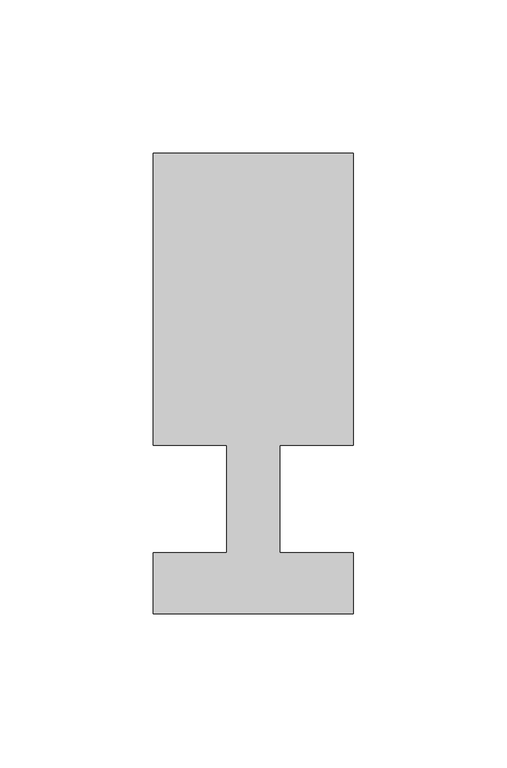
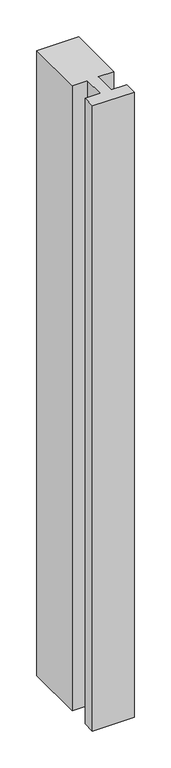
"""IFC4 building model written with IfcOpenShell, lengths in millimetres: member geometry."""

import ifcopenshell
import ifcopenshell.guid

model = None  # the IFC model being written
_history = None  # IfcOwnerHistory: only IFC2X3 demands one
_inside = {}  # id of a spatial element -> (the spatial element, [elements in it])
_under = {}  # id of a project, library or spatial element -> (it, [spatial elements below it])
_declared = {}  # id of a project -> (the project, [libraries it declares])
_typed = {}  # id of a type object -> (the type object, [elements of that type])
_made_of = {}  # id of a material, layer set ... -> (it, [elements and type objects made of it])


def new_model(schema):
    """Start an empty IFC model of exactly this schema.

    Asked for "IFC4X3", IfcOpenShell would pick the latest addendum, in which some entities
    have other attributes; the version numbers below select the first issue.
    IFC2X3 requires an IfcOwnerHistory on every rooted entity: one is made here for all.
    """
    global model, _history
    if schema == "IFC4X3":
        model = ifcopenshell.file(schema_version=(4, 3, 0, 0))
    else:
        model = ifcopenshell.file(schema=schema)
    _inside.clear()
    _under.clear()
    _declared.clear()
    _typed.clear()
    _made_of.clear()
    _history = None
    if model.schema == "IFC2X3":
        org = make("IfcOrganization", Name="unknown")
        user = make(
            "IfcPersonAndOrganization",
            ThePerson=make("IfcPerson", FamilyName="unknown"),
            TheOrganization=org,
        )
        app = make(
            "IfcApplication",
            ApplicationDeveloper=org,
            Version="unknown",
            ApplicationFullName="unknown",
            ApplicationIdentifier="unknown",
        )
        _history = make(
            "IfcOwnerHistory",
            OwningUser=user,
            OwningApplication=app,
            ChangeAction="ADDED",
            CreationDate=0,
        )
    return model


def make(cls, **values):
    """One entity of the class cls with the attributes given. An attribute that is None is left unset."""
    return model.create_entity(
        cls, **{name: value for name, value in values.items() if value is not None}
    )


def rooted(cls, **values):
    """An entity with a GlobalId (a new one), such as an element, a storey or a relation."""
    return make(cls, GlobalId=ifcopenshell.guid.new(), OwnerHistory=_history, **values)


def si_unit(unit_type, name, prefix=None):
    """IfcSIUnit, for example si_unit("LENGTHUNIT", "METRE", prefix="MILLI")."""
    return make("IfcSIUnit", UnitType=unit_type, Prefix=prefix, Name=name)


def assignment(units):
    """IfcUnitAssignment: the units of a project."""
    return None if units is None else make("IfcUnitAssignment", Units=units)


def point(xyz):
    """IfcCartesianPoint."""
    return None if xyz is None else make("IfcCartesianPoint", Coordinates=xyz)


def direction(xyz):
    """IfcDirection."""
    return None if xyz is None else make("IfcDirection", DirectionRatios=xyz)


def frame(location, z_axis=None, x_axis=None):
    """IfcAxis2Placement3D, a coordinate frame: its origin and axes. An axis left out is left unset."""
    return make(
        "IfcAxis2Placement3D",
        Location=point(location),
        Axis=direction(z_axis),
        RefDirection=direction(x_axis),
    )


def origin():
    """The frame at (0, 0, 0) with its axes left unset."""
    return frame((0.0, 0.0, 0.0))


def place(relative_to, where):
    """IfcLocalPlacement: puts the frame where relative to a parent placement (None: the world)."""
    return make(
        "IfcLocalPlacement", PlacementRelTo=relative_to, RelativePlacement=where
    )


def context(
    kind, dimensions, precision=None, world=None, true_north=None, identifier=None
):
    """IfcGeometricRepresentationContext, for example the 3D "Model" context."""
    return make(
        "IfcGeometricRepresentationContext",
        ContextIdentifier=identifier,
        ContextType=kind,
        CoordinateSpaceDimension=dimensions,
        Precision=precision,
        WorldCoordinateSystem=world,
        TrueNorth=true_north,
    )


def project(units=None, contexts=None):
    """IfcProject with its units and contexts."""
    return rooted(
        "IfcProject",
        Name="project",
        RepresentationContexts=contexts,
        UnitsInContext=assignment(units),
    )


def spatial(cls, under=None, at=None, **own):
    """A site, building, storey or space (cls), placed at a placement, below another one or the project."""
    s = rooted(cls, ObjectPlacement=at, **own)
    if under is not None:
        _under.setdefault(under.id(), (under, []))[1].append(s)
    return s


def polyline(points):
    """IfcPolyline through the points."""
    return make("IfcPolyline", Points=[point(p) for p in points])


def outline(outer, holes=None, kind="AREA"):
    """IfcArbitraryClosedProfileDef: a profile drawn as a closed curve; with holes, ...WithVoids."""
    if holes is None:
        return make("IfcArbitraryClosedProfileDef", ProfileType=kind, OuterCurve=outer)
    return make(
        "IfcArbitraryProfileDefWithVoids",
        ProfileType=kind,
        OuterCurve=outer,
        InnerCurves=holes,
    )


def extrude(swept, where, along, depth):
    """IfcExtrudedAreaSolid: the profile swept, set in the frame where, extruded along a direction by depth."""
    return make(
        "IfcExtrudedAreaSolid",
        SweptArea=swept,
        Position=where,
        ExtrudedDirection=direction(along),
        Depth=depth,
    )


def shape(context_of_items, identifier, shape_type, items):
    """IfcShapeRepresentation: the items that make up one representation, for example the "Body"."""
    return make(
        "IfcShapeRepresentation",
        ContextOfItems=context_of_items,
        RepresentationIdentifier=identifier,
        RepresentationType=shape_type,
        Items=items,
    )


def source(mapping_origin, context_of_items, identifier, shape_type, items):
    """IfcRepresentationMap: a shape defined once, which mapped items show again and again."""
    return make(
        "IfcRepresentationMap",
        MappingOrigin=mapping_origin,
        MappedRepresentation=shape(context_of_items, identifier, shape_type, items),
    )


def transform(
    local_origin,
    x_axis=None,
    y_axis=None,
    z_axis=None,
    scale=None,
    scale2=None,
    scale3=None,
    uniform=True,
):
    """IfcCartesianTransformationOperator3D, or its non-uniform kind. x_axis, y_axis, z_axis: its Axis1, 2, 3."""
    if uniform:
        return make(
            "IfcCartesianTransformationOperator3D",
            Axis1=direction(x_axis),
            Axis2=direction(y_axis),
            LocalOrigin=point(local_origin),
            Scale=scale,
            Axis3=direction(z_axis),
        )
    return make(
        "IfcCartesianTransformationOperator3DnonUniform",
        Axis1=direction(x_axis),
        Axis2=direction(y_axis),
        LocalOrigin=point(local_origin),
        Scale=scale,
        Axis3=direction(z_axis),
        Scale2=scale2,
        Scale3=scale3,
    )


def mapped(mapping_source, mapping_target):
    """IfcMappedItem: shows the shape of a source again, moved by a transform."""
    return make(
        "IfcMappedItem", MappingSource=mapping_source, MappingTarget=mapping_target
    )


def made_of(thing, what):
    """Note that an element or type object is made of a material, layer set ...; save() writes the relation."""
    if what is not None:
        _made_of.setdefault(what.id(), (what, []))[1].append(thing)
    return thing


def element(
    cls,
    number,
    at=None,
    inside=None,
    cuts=None,
    type_object=None,
    material=None,
    context=None,
    identifier="Body",
    shape_type=None,
    held_by="IfcProductDefinitionShape",
    body=None,
    shapes=None,
    **own,
):
    """One element of the class cls, such as IfcWall. Its Tag is "e" and its number.

    at: its placement. inside: the storey or other place that contains it. cuts: it is an
    opening in that element (IfcRelVoidsElement). A single representation is given by context,
    identifier, shape_type and body (its items); several are given by shapes. held_by: the class
    of the entity that holds the representations. save() writes the other relations.
    """
    e = rooted(cls, Tag="e%d" % number, ObjectPlacement=at, **own)
    if body is not None:
        shapes = [shape(context, identifier, shape_type, body)]
    if shapes is not None:
        e.Representation = make(held_by, Representations=shapes)
    if inside is not None:
        _inside.setdefault(inside.id(), (inside, []))[1].append(e)
    if cuts is not None:
        rooted(
            "IfcRelVoidsElement", RelatingBuildingElement=cuts, RelatedOpeningElement=e
        )
    if type_object is not None:
        _typed.setdefault(type_object.id(), (type_object, []))[1].append(e)
    return made_of(e, material)


def aggregate(whole, parts):
    """IfcRelAggregates: a whole, such as a stair, and the parts it consists of."""
    return rooted("IfcRelAggregates", RelatingObject=whole, RelatedObjects=parts)


def save(model, path):
    """Write the relations noted so far, then the file.

    IfcRelAggregates (storeys below a building ...), IfcRelContainedInSpatialStructure (elements
    in a storey), IfcRelDefinesByType, IfcRelAssociatesMaterial and IfcRelDeclares: one each for
    every whole, place, type object, material and project.
    """
    for whole, parts in _under.values():
        aggregate(whole, parts)
    for where, things in _inside.values():
        rooted(
            "IfcRelContainedInSpatialStructure",
            RelatedElements=things,
            RelatingStructure=where,
        )
    for kind, things in _typed.values():
        rooted("IfcRelDefinesByType", RelatedObjects=things, RelatingType=kind)
    for what, things in _made_of.values():
        rooted("IfcRelAssociatesMaterial", RelatedObjects=things, RelatingMaterial=what)
    for by, libraries in _declared.values():
        rooted("IfcRelDeclares", RelatingContext=by, RelatedDefinitions=libraries)
    model.write(path)


def member_ad9899a5(model_context):
    return source(origin(), model_context, "Body", "SweptSolid", [
        extrude(outline(polyline([(0.0, -37.0), (-65.0, -37.0), (-65.0, -17.0), (-41.1875, -17.0), (-41.1875, 18.0), (-65.0, 18.0), (-65.0, 113.0), (0.0, 113.0), (0.0, 18.0), (-23.8125, 18.0), (-23.8125, -17.0), (0.0, -17.0), (0.0, -37.0)])), frame((0.0, 0.0, -1032.5), z_axis=(0.0, 0.0, 1.0), x_axis=(1.0, 0.0, 0.0)), (0.0, 0.0, 1.0), 1032.5),
    ])


if __name__ == "__main__":
    model = new_model("IFC4")
    model_context = context("Model", 3, world=origin())
    ifc_project = project(units=[si_unit("LENGTHUNIT", "METRE", prefix="MILLI")], contexts=[model_context])
    site = spatial("IfcSite", under=ifc_project)
    building = spatial("IfcBuilding", under=site)
    placement = place(None, origin())
    member_shape = member_ad9899a5(model_context)
    element("IfcMember", 1, at=placement, inside=building, context=model_context, shape_type="MappedRepresentation", body=[
        mapped(member_shape, transform((0.0, 0.0, 0.0), x_axis=(1.0, 0.0, 0.0), y_axis=(0.0, 1.0, 0.0), z_axis=(0.0, 0.0, 1.0))),
    ])
    save(model, "model.ifc")
